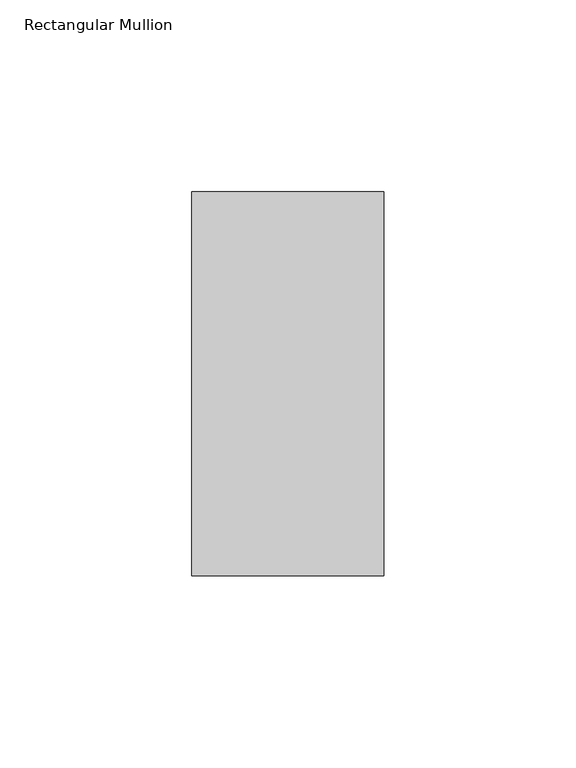
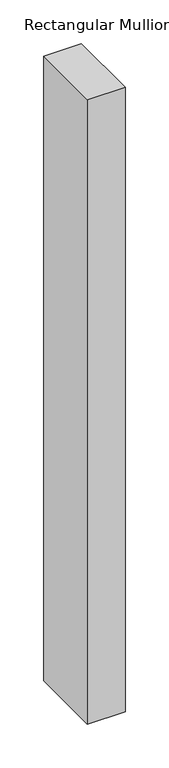
"""IFC4 building model written with IfcOpenShell, lengths in millimetres: member geometry, Rectangular Mullion."""

import ifcopenshell
import ifcopenshell.guid

model = None  # the IFC model being written
_history = None  # IfcOwnerHistory: only IFC2X3 demands one
_inside = {}  # id of a spatial element -> (the spatial element, [elements in it])
_under = {}  # id of a project, library or spatial element -> (it, [spatial elements below it])
_declared = {}  # id of a project -> (the project, [libraries it declares])
_typed = {}  # id of a type object -> (the type object, [elements of that type])
_made_of = {}  # id of a material, layer set ... -> (it, [elements and type objects made of it])


def new_model(schema):
    """Start an empty IFC model of exactly this schema.

    Asked for "IFC4X3", IfcOpenShell would pick the latest addendum, in which some entities
    have other attributes; the version numbers below select the first issue.
    IFC2X3 requires an IfcOwnerHistory on every rooted entity: one is made here for all.
    """
    global model, _history
    if schema == "IFC4X3":
        model = ifcopenshell.file(schema_version=(4, 3, 0, 0))
    else:
        model = ifcopenshell.file(schema=schema)
    _inside.clear()
    _under.clear()
    _declared.clear()
    _typed.clear()
    _made_of.clear()
    _history = None
    if model.schema == "IFC2X3":
        org = make("IfcOrganization", Name="unknown")
        user = make(
            "IfcPersonAndOrganization",
            ThePerson=make("IfcPerson", FamilyName="unknown"),
            TheOrganization=org,
        )
        app = make(
            "IfcApplication",
            ApplicationDeveloper=org,
            Version="unknown",
            ApplicationFullName="unknown",
            ApplicationIdentifier="unknown",
        )
        _history = make(
            "IfcOwnerHistory",
            OwningUser=user,
            OwningApplication=app,
            ChangeAction="ADDED",
            CreationDate=0,
        )
    return model


def make(cls, **values):
    """One entity of the class cls with the attributes given. An attribute that is None is left unset."""
    return model.create_entity(
        cls, **{name: value for name, value in values.items() if value is not None}
    )


def rooted(cls, **values):
    """An entity with a GlobalId (a new one), such as an element, a storey or a relation."""
    return make(cls, GlobalId=ifcopenshell.guid.new(), OwnerHistory=_history, **values)


def si_unit(unit_type, name, prefix=None):
    """IfcSIUnit, for example si_unit("LENGTHUNIT", "METRE", prefix="MILLI")."""
    return make("IfcSIUnit", UnitType=unit_type, Prefix=prefix, Name=name)


def assignment(units):
    """IfcUnitAssignment: the units of a project."""
    return None if units is None else make("IfcUnitAssignment", Units=units)


def point(xyz):
    """IfcCartesianPoint."""
    return None if xyz is None else make("IfcCartesianPoint", Coordinates=xyz)


def direction(xyz):
    """IfcDirection."""
    return None if xyz is None else make("IfcDirection", DirectionRatios=xyz)


def frame(location, z_axis=None, x_axis=None):
    """IfcAxis2Placement3D, a coordinate frame: its origin and axes. An axis left out is left unset."""
    return make(
        "IfcAxis2Placement3D",
        Location=point(location),
        Axis=direction(z_axis),
        RefDirection=direction(x_axis),
    )


def origin():
    """The frame at (0, 0, 0) with its axes left unset."""
    return frame((0.0, 0.0, 0.0))


def place(relative_to, where):
    """IfcLocalPlacement: puts the frame where relative to a parent placement (None: the world)."""
    return make(
        "IfcLocalPlacement", PlacementRelTo=relative_to, RelativePlacement=where
    )


def context(
    kind, dimensions, precision=None, world=None, true_north=None, identifier=None
):
    """IfcGeometricRepresentationContext, for example the 3D "Model" context."""
    return make(
        "IfcGeometricRepresentationContext",
        ContextIdentifier=identifier,
        ContextType=kind,
        CoordinateSpaceDimension=dimensions,
        Precision=precision,
        WorldCoordinateSystem=world,
        TrueNorth=true_north,
    )


def project(units=None, contexts=None):
    """IfcProject with its units and contexts."""
    return rooted(
        "IfcProject",
        Name="project",
        RepresentationContexts=contexts,
        UnitsInContext=assignment(units),
    )


def spatial(cls, under=None, at=None, **own):
    """A site, building, storey or space (cls), placed at a placement, below another one or the project."""
    s = rooted(cls, ObjectPlacement=at, **own)
    if under is not None:
        _under.setdefault(under.id(), (under, []))[1].append(s)
    return s


def polyline(points):
    """IfcPolyline through the points."""
    return make("IfcPolyline", Points=[point(p) for p in points])


def outline(outer, holes=None, kind="AREA"):
    """IfcArbitraryClosedProfileDef: a profile drawn as a closed curve; with holes, ...WithVoids."""
    if holes is None:
        return make("IfcArbitraryClosedProfileDef", ProfileType=kind, OuterCurve=outer)
    return make(
        "IfcArbitraryProfileDefWithVoids",
        ProfileType=kind,
        OuterCurve=outer,
        InnerCurves=holes,
    )


def extrude(swept, where, along, depth):
    """IfcExtrudedAreaSolid: the profile swept, set in the frame where, extruded along a direction by depth."""
    return make(
        "IfcExtrudedAreaSolid",
        SweptArea=swept,
        Position=where,
        ExtrudedDirection=direction(along),
        Depth=depth,
    )


def shape(context_of_items, identifier, shape_type, items):
    """IfcShapeRepresentation: the items that make up one representation, for example the "Body"."""
    return make(
        "IfcShapeRepresentation",
        ContextOfItems=context_of_items,
        RepresentationIdentifier=identifier,
        RepresentationType=shape_type,
        Items=items,
    )


def source(mapping_origin, context_of_items, identifier, shape_type, items):
    """IfcRepresentationMap: a shape defined once, which mapped items show again and again."""
    return make(
        "IfcRepresentationMap",
        MappingOrigin=mapping_origin,
        MappedRepresentation=shape(context_of_items, identifier, shape_type, items),
    )


def transform(
    local_origin,
    x_axis=None,
    y_axis=None,
    z_axis=None,
    scale=None,
    scale2=None,
    scale3=None,
    uniform=True,
):
    """IfcCartesianTransformationOperator3D, or its non-uniform kind. x_axis, y_axis, z_axis: its Axis1, 2, 3."""
    if uniform:
        return make(
            "IfcCartesianTransformationOperator3D",
            Axis1=direction(x_axis),
            Axis2=direction(y_axis),
            LocalOrigin=point(local_origin),
            Scale=scale,
            Axis3=direction(z_axis),
        )
    return make(
        "IfcCartesianTransformationOperator3DnonUniform",
        Axis1=direction(x_axis),
        Axis2=direction(y_axis),
        LocalOrigin=point(local_origin),
        Scale=scale,
        Axis3=direction(z_axis),
        Scale2=scale2,
        Scale3=scale3,
    )


def mapped(mapping_source, mapping_target):
    """IfcMappedItem: shows the shape of a source again, moved by a transform."""
    return make(
        "IfcMappedItem", MappingSource=mapping_source, MappingTarget=mapping_target
    )


def made_of(thing, what):
    """Note that an element or type object is made of a material, layer set ...; save() writes the relation."""
    if what is not None:
        _made_of.setdefault(what.id(), (what, []))[1].append(thing)
    return thing


def element(
    cls,
    number,
    at=None,
    inside=None,
    cuts=None,
    type_object=None,
    material=None,
    context=None,
    identifier="Body",
    shape_type=None,
    held_by="IfcProductDefinitionShape",
    body=None,
    shapes=None,
    **own,
):
    """One element of the class cls, such as IfcWall. Its Tag is "e" and its number.

    at: its placement. inside: the storey or other place that contains it. cuts: it is an
    opening in that element (IfcRelVoidsElement). A single representation is given by context,
    identifier, shape_type and body (its items); several are given by shapes. held_by: the class
    of the entity that holds the representations. save() writes the other relations.
    """
    e = rooted(cls, Tag="e%d" % number, ObjectPlacement=at, **own)
    if body is not None:
        shapes = [shape(context, identifier, shape_type, body)]
    if shapes is not None:
        e.Representation = make(held_by, Representations=shapes)
    if inside is not None:
        _inside.setdefault(inside.id(), (inside, []))[1].append(e)
    if cuts is not None:
        rooted(
            "IfcRelVoidsElement", RelatingBuildingElement=cuts, RelatedOpeningElement=e
        )
    if type_object is not None:
        _typed.setdefault(type_object.id(), (type_object, []))[1].append(e)
    return made_of(e, material)


def aggregate(whole, parts):
    """IfcRelAggregates: a whole, such as a stair, and the parts it consists of."""
    return rooted("IfcRelAggregates", RelatingObject=whole, RelatedObjects=parts)


def save(model, path):
    """Write the relations noted so far, then the file.

    IfcRelAggregates (storeys below a building ...), IfcRelContainedInSpatialStructure (elements
    in a storey), IfcRelDefinesByType, IfcRelAssociatesMaterial and IfcRelDeclares: one each for
    every whole, place, type object, material and project.
    """
    for whole, parts in _under.values():
        aggregate(whole, parts)
    for where, things in _inside.values():
        rooted(
            "IfcRelContainedInSpatialStructure",
            RelatedElements=things,
            RelatingStructure=where,
        )
    for kind, things in _typed.values():
        rooted("IfcRelDefinesByType", RelatedObjects=things, RelatingType=kind)
    for what, things in _made_of.values():
        rooted("IfcRelAssociatesMaterial", RelatedObjects=things, RelatingMaterial=what)
    for by, libraries in _declared.values():
        rooted("IfcRelDeclares", RelatingContext=by, RelatedDefinitions=libraries)
    model.write(path)


def rectangular_mullion_165e53d0(model_context):
    return source(origin(), model_context, "Body", "SweptSolid", [
        extrude(outline(polyline([(0.0, 31.0), (0.0, -69.0), (-50.0, -69.0), (-50.0, 31.0), (0.0, 31.0)])), frame((0.0, 0.0, -873.3333333), z_axis=(0.0, 0.0, 1.0), x_axis=(1.0, 0.0, 0.0)), (0.0, 0.0, 1.0), 873.3333333),
    ])


if __name__ == "__main__":
    model = new_model("IFC4")
    model_context = context("Model", 3, world=origin())
    ifc_project = project(units=[si_unit("LENGTHUNIT", "METRE", prefix="MILLI")], contexts=[model_context])
    site = spatial("IfcSite", under=ifc_project)
    building = spatial("IfcBuilding", under=site)
    placement = place(None, origin())
    rectangular_mullion_shape = rectangular_mullion_165e53d0(model_context)
    element("IfcMember", 1, ObjectType="Rectangular Mullion", at=placement, inside=building, context=model_context, shape_type="MappedRepresentation", body=[
        mapped(rectangular_mullion_shape, transform((0.0, 0.0, 0.0), x_axis=(1.0, 0.0, 0.0), y_axis=(0.0, 1.0, 0.0), z_axis=(0.0, 0.0, 1.0))),
    ])
    save(model, "model.ifc")
